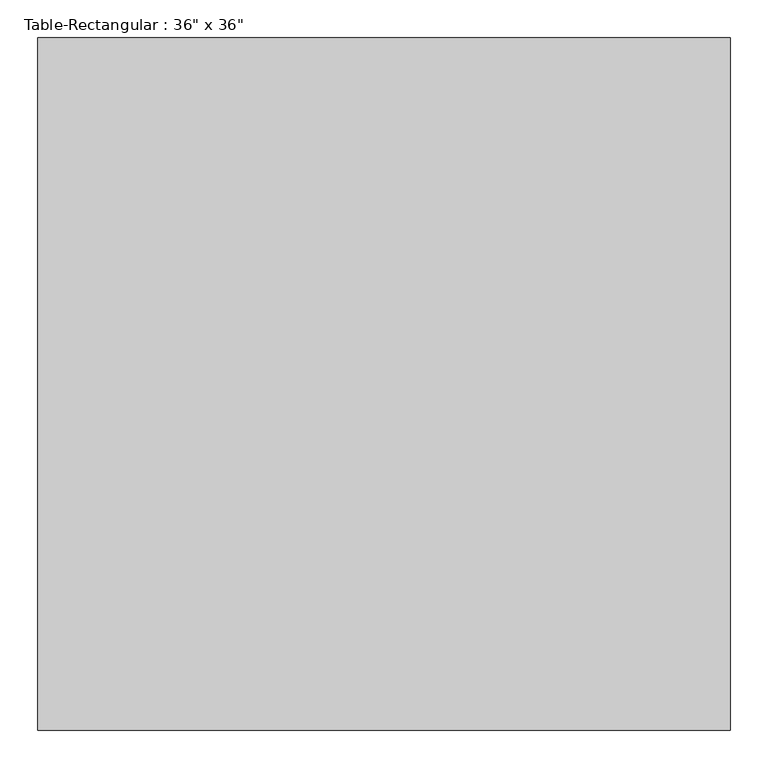
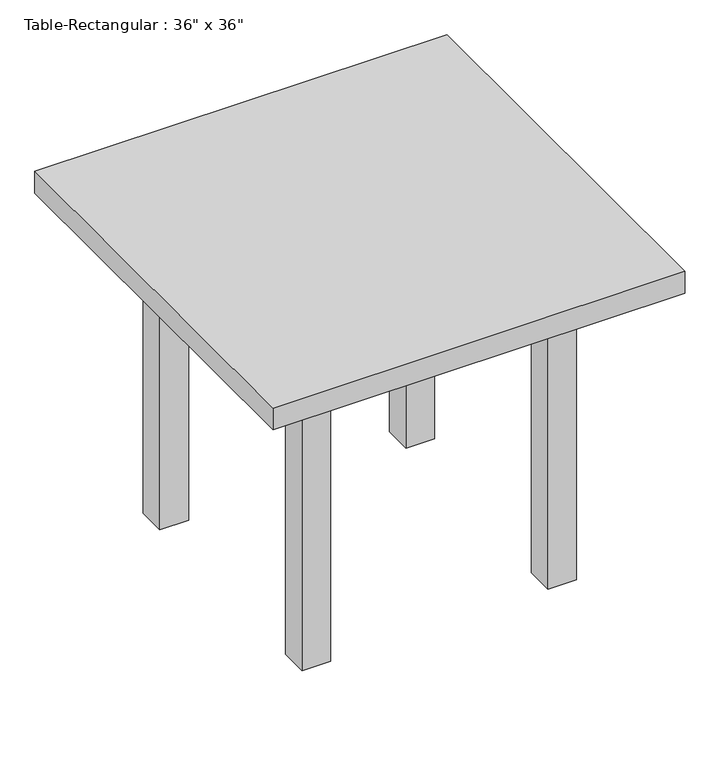
"""IFC4 building model written with IfcOpenShell, lengths in millimetres: furniture geometry."""

from ifc_helpers import new_model, si_unit, frame, origin, origin_with_axes, place, context, project, spatial, polyline, outline, extrude, source, transform, mapped, element, save


def furniture_7052db44(model_context):
    return source(origin(), model_context, "Body", "SweptSolid", [
        extrude(outline(polyline([(241.3, -266.7), (-241.3, -266.7), (-241.3, -241.3), (241.3, -241.3), (241.3, -266.7)])), frame((0.0, 0.0, 609.6), z_axis=(0.0, 0.0, 1.0), x_axis=(1.0, 0.0, 0.0)), (0.0, 0.0, 1.0), 101.6),
        extrude(outline(polyline([(241.3, 266.7), (241.3, 241.3), (-241.3, 241.3), (-241.3, 266.7), (241.3, 266.7)])), frame((0.0, 0.0, 609.6), z_axis=(0.0, 0.0, 1.0), x_axis=(1.0, 0.0, 0.0)), (0.0, 0.0, 1.0), 101.6),
        extrude(outline(polyline([(-254.0, 241.3), (-254.0, -241.3), (-279.4, -241.3), (-279.4, 241.3), (-254.0, 241.3)])), frame((0.0, 0.0, 609.6), z_axis=(0.0, 0.0, 1.0), x_axis=(1.0, 0.0, 0.0)), (0.0, 0.0, 1.0), 101.6),
        extrude(outline(polyline([(254.0, 241.3), (279.4, 241.3), (279.4, -241.3), (254.0, -241.3), (254.0, 241.3)])), frame((0.0, 0.0, 609.6), z_axis=(0.0, 0.0, 1.0), x_axis=(1.0, 0.0, 0.0)), (0.0, 0.0, 1.0), 101.6),
        extrude(outline(polyline([(457.2, -457.2), (-457.2, -457.2), (-457.2, 457.2), (457.2, 457.2), (457.2, -457.2)])), frame((0.0, 0.0, 711.2), z_axis=(0.0, 0.0, 1.0), x_axis=(1.0, 0.0, 0.0)), (0.0, 0.0, 1.0), 50.8),
        extrude(outline(polyline([(-241.3, -304.8), (-304.8, -304.8), (-304.8, -241.3), (-241.3, -241.3), (-241.3, -304.8)])), origin_with_axes(), (0.0, 0.0, 1.0), 711.2),
        extrude(outline(polyline([(241.3, -304.8), (241.3, -241.3), (304.8, -241.3), (304.8, -304.8), (241.3, -304.8)])), origin_with_axes(), (0.0, 0.0, 1.0), 711.2),
        extrude(outline(polyline([(-241.3, 304.8), (-241.3, 241.3), (-304.8, 241.3), (-304.8, 304.8), (-241.3, 304.8)])), origin_with_axes(), (0.0, 0.0, 1.0), 711.2),
        extrude(outline(polyline([(241.3, 304.8), (304.8, 304.8), (304.8, 241.3), (241.3, 241.3), (241.3, 304.8)])), origin_with_axes(), (0.0, 0.0, 1.0), 711.2),
    ])


if __name__ == "__main__":
    model = new_model("IFC4")
    model_context = context("Model", 3, world=origin())
    ifc_project = project(units=[si_unit("LENGTHUNIT", "METRE", prefix="MILLI")], contexts=[model_context])
    site = spatial("IfcSite", under=ifc_project)
    building = spatial("IfcBuilding", under=site)
    placement = place(None, origin())
    furniture_shape = furniture_7052db44(model_context)
    element("IfcFurniture", 1, ObjectType="Table-Rectangular : 36\" x 36\"", at=placement, inside=building, context=model_context, shape_type="MappedRepresentation", body=[
        mapped(furniture_shape, transform((0.0, 0.0, 0.0), x_axis=(1.0, 0.0, 0.0), y_axis=(0.0, 1.0, 0.0), z_axis=(0.0, 0.0, 1.0))),
    ])
    save(model, "model.ifc")
